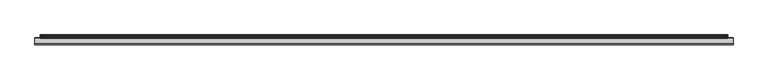
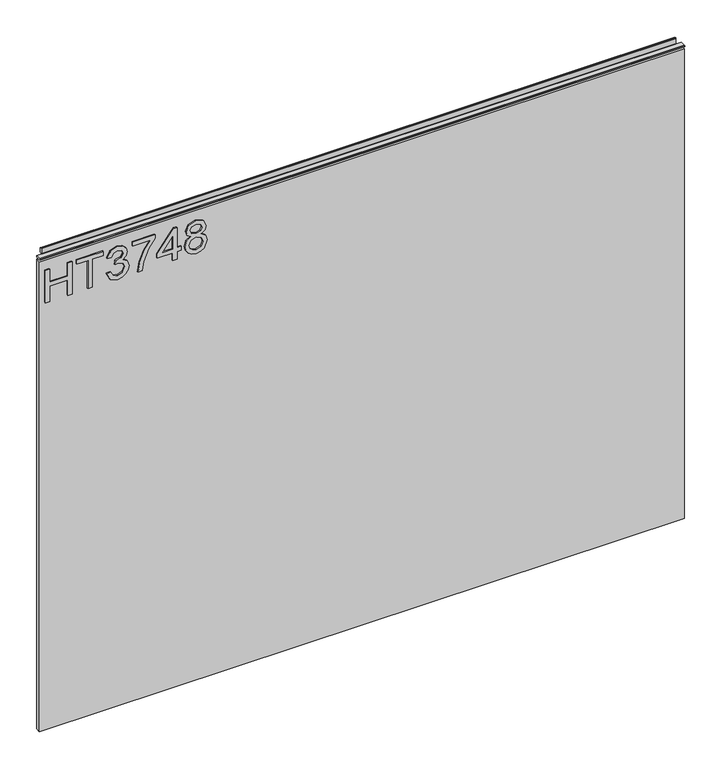
"""IFC4 building model written with IfcOpenShell, lengths in millimetres: furniture geometry."""

from ifc_helpers import new_model, si_unit, frame, origin, place, context, project, spatial, polyline, outline, extrude, source, transform, mapped, element, save


def furniture_76929cd3(model_context):
    return source(origin(), model_context, "Body", "SweptSolid", [
        extrude(outline(polyline([(951.4078, -288.5795281), (951.4078, -280.6058085), (981.3092486, -280.6058085), (981.3092486, -246.7175001), (951.4078, -246.7175001), (951.4078, -238.7437805), (1015.1975569, -238.7437805), (1015.1975569, -246.7175001), (989.2829682, -246.7175001), (989.2829682, -280.6058085), (1015.1975569, -280.6058085), (1015.1975569, -288.5795281), (951.4078, -288.5795281)])), frame((0.0, -5.6037602, 0.0), z_axis=(0.0, 1.0, 0.0), x_axis=(0.0, 0.0, 1.0)), (0.0, 0.0, 1.0), 2.38125),
        extrude(outline(polyline([(951.4078, -208.8423319), (951.4078, -200.8686123), (1007.2238373, -200.8686123), (1007.2238373, -179.9375983), (1015.1975569, -179.9375983), (1015.1975569, -229.7733459), (1007.2238373, -229.7733459), (1007.2238373, -208.8423319), (951.4078, -208.8423319)])), frame((0.0, -5.6037602, 0.0), z_axis=(0.0, 1.0, 0.0), x_axis=(0.0, 0.0, 1.0)), (0.0, 0.0, 1.0), 2.38125),
        extrude(outline(polyline([(968.3519542, -173.9573086), (955.4102335, -167.6188244), (950.411085, -153.6336678), (951.8750101, -145.1109762), (956.2667854, -138.2001597), (962.7610063, -133.6215004), (970.5322681, -132.0952806), (980.9043331, -135.1477201), (986.355118, -143.8378286), (991.6345925, -137.2968867), (998.9853653, -135.0854254), (1007.0291664, -137.4136893), (1013.0094562, -144.1415152), (1015.1975569, -153.7582571), (1010.7590607, -166.4352254), (998.2534028, -172.9605936), (997.2566878, -164.986874), (1004.7320499, -161.0778826), (1007.2238373, -153.4779311), (1004.7554105, -145.9714216), (998.5181552, -143.0591451), (991.4788558, -147.0771522), (989.2829682, -157.4024962), (981.3092486, -158.2901954), (982.1813742, -152.6992475), (978.91869, -143.6353709), (970.6724312, -140.0690002), (961.920028, -143.6665182), (958.3848047, -153.3533417), (960.9544604, -161.5840269), (969.3486691, -165.983589), (968.3519542, -173.9573086)])), frame((0.0, -5.6037602, 0.0), z_axis=(0.0, 1.0, 0.0), x_axis=(0.0, 0.0, 1.0)), (0.0, 0.0, 1.0), 2.38125),
        extrude(outline(polyline([(1006.2271224, -125.1182759), (1006.2271224, -91.2299675), (989.7268178, -103.283989), (969.3953902, -111.9818843), (951.4078, -115.1511264), (951.4078, -107.1774068), (968.741296, -104.2184093), (990.5989434, -95.1311722), (1007.7533421, -83.2562479), (1014.200842, -83.2562479), (1014.200842, -125.1182759), (1006.2271224, -125.1182759)])), frame((0.0, -5.6037602, 0.0), z_axis=(0.0, 1.0, 0.0), x_axis=(0.0, 0.0, 1.0)), (0.0, 0.0, 1.0), 2.38125),
        extrude(outline(polyline([(951.4078, -50.3646545), (951.4078, -42.3909349), (966.3585243, -42.3909349), (966.3585243, -34.4172153), (974.3322439, -34.4172153), (974.3322439, -42.3909349), (1014.200842, -42.3909349), (1014.200842, -48.3712246), (974.3322439, -79.2693881), (966.3585243, -79.2693881), (966.3585243, -50.3646545), (951.4078, -50.3646545)]), holes=[polyline([(974.3322439, -50.3646545), (974.3322439, -69.4579753), (998.9697916, -50.3646545), (974.3322439, -50.3646545)])]), frame((0.0, -5.6037602, 0.0), z_axis=(0.0, 1.0, 0.0), x_axis=(0.0, 0.0, 1.0)), (0.0, 0.0, 1.0), 2.38125),
        extrude(outline(polyline([(986.5420021, -15.8222519), (980.7485964, -24.4189184), (970.1896474, -27.4402106), (962.4320125, -25.999646), (956.0721145, -21.6779523), (951.8263424, -15.0046342), (950.411085, -6.5091966), (951.8205023, 1.986241), (956.048754, 8.6595591), (969.971616, 14.4218174), (980.2891731, 11.5173277), (986.5420021, 3.0374638), (991.471069, 10.1001237), (998.9853653, 12.4283875), (1010.4787346, 7.195634), (1015.1975569, -6.6182123), (1010.5877503, -20.3074692), (999.2033967, -25.4467807), (991.4944295, -23.0873695), (986.5420021, -15.8222519)]), holes=[polyline([(998.9697916, -17.4730611), (1004.7943446, -14.5997188), (1007.2238373, -6.5091966), (1004.7398368, 1.557965), (998.6115972, 4.4546679), (992.6936022, 1.6514071), (990.2796831, -6.4157546), (992.7091758, -14.6464398), (998.9697916, -17.4730611)]), polyline([(970.4699735, -19.466491), (978.9264769, -16.0947912), (982.3059635, -6.7116543), (978.8797559, 2.9440218), (970.2207947, 6.4480978), (961.7253571, 3.0530375), (958.3848047, -6.4469019), (959.9733191, -13.4239066), (964.4663232, -18.1349421), (970.4699735, -19.466491)])]), frame((0.0, -5.6037602, 0.0), z_axis=(0.0, 1.0, 0.0), x_axis=(0.0, 0.0, 1.0)), (0.0, 0.0, 1.0), 2.38125),
        extrude(outline(polyline([(5.5562561, 1041.4), (6.3500061, 1041.4), (6.3500061, 1051.27425), (7.1437561, 1052.068), (8.6677569, 1052.068), (10.0084363, 1051.6506926), (10.875413, 1050.5461816), (10.9623604, 1049.1447591), (10.2390011, 1046.1863459), (10.4046103, 1044.9833307), (11.6746103, 1042.7836103), (10.7786383, 1042.2663244), (7.1437561, 1042.2663244), (7.1437561, 1041.4), (6.3500061, 1041.1669239), (6.3500061, 1033.9578), (5.5562561, 1033.9578), (5.5562561, 1041.4)])), frame((-288.671, 0.0, 0.0), z_axis=(1.0, 0.0, 0.0), x_axis=(0.0, 1.0, 0.0)), (0.0, 0.0, 1.0), 1186.942),
        extrude(outline(polyline([(5.5562561, 1041.4), (5.5562561, 1038.2249996), (-3.975094, 1038.2249996), (-5.3492339, 1039.0183657), (-5.3492339, 1040.6066395), (-3.9751037, 1041.4), (5.5562561, 1041.4)])), frame((-298.196, 0.0, 0.0), z_axis=(1.0, 0.0, 0.0), x_axis=(0.0, 1.0, 0.0)), (0.0, 0.0, 1.0), 1205.992),
        extrude(outline(polyline([(907.796, 6.3500061), (907.796, -3.1749939), (-298.196, -3.1749939), (-298.196, 6.3500061), (907.796, 6.3500061)])), frame((0.0, 0.0, 104.69626), z_axis=(0.0, 0.0, 1.0), x_axis=(1.0, 0.0, 0.0)), (0.0, 0.0, 1.0), 929.26154),
    ])


if __name__ == "__main__":
    model = new_model("IFC4")
    model_context = context("Model", 3, world=origin())
    ifc_project = project(units=[si_unit("LENGTHUNIT", "METRE", prefix="MILLI")], contexts=[model_context])
    site = spatial("IfcSite", under=ifc_project)
    building = spatial("IfcBuilding", under=site)
    placement = place(None, origin())
    furniture_shape = furniture_76929cd3(model_context)
    element("IfcFurniture", 1, at=placement, inside=building, context=model_context, shape_type="MappedRepresentation", body=[
        mapped(furniture_shape, transform((0.0, 0.0, 0.0), x_axis=(1.0, 0.0, 0.0), y_axis=(0.0, 1.0, 0.0), z_axis=(0.0, 0.0, 1.0))),
    ])
    save(model, "model.ifc")
